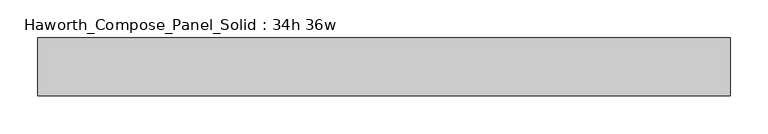
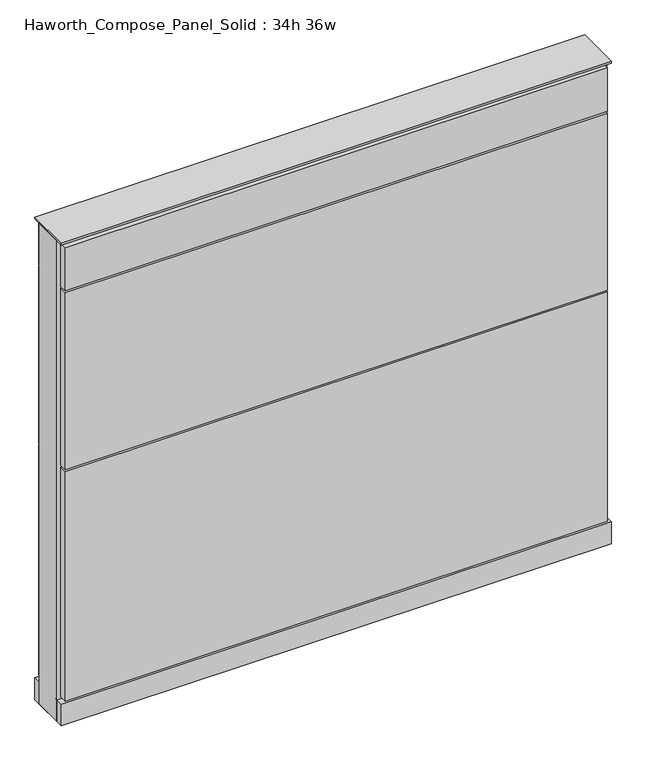
"""IFC4 building model written with IfcOpenShell, lengths in millimetres: furniture geometry, Haworth_Compose_Panel_Solid : 34h 36w."""

from ifc_helpers import new_model, si_unit, point, frame, frame_2d, origin, origin_with_axes, place, context, project, spatial, polyline, circle_curve, trimmed, segment, composite_curve, outline, extrude, source, transform, mapped, element, save


def haworth_compose_panel_solid_34h_36w_e3e4547b(model_context):
    return source(origin(), model_context, "Body", "SweptSolid", [
        extrude(outline(composite_curve([segment(trimmed(circle_curve(frame_2d((-378.5597098, 0.0)), 12.7), [point((-391.2597098, 0.0))], [point((-365.8597098, 0.0))], False, "CARTESIAN"), True, "CONTINUOUS"), segment(trimmed(circle_curve(frame_2d((-378.5597098, 0.0)), 12.7), [point((-365.8597098, 0.0))], [point((-391.2597098, 0.0))], False, "CARTESIAN"), True, "CONTINUOUS")], self_intersect=False)), origin_with_axes(), (0.0, 0.0, 1.0), 12.7),
        extrude(outline(composite_curve([segment(trimmed(circle_curve(frame_2d((383.4402902, 0.0)), 12.7), [point((370.7402902, 0.0))], [point((396.1402902, 0.0))], False, "CARTESIAN"), True, "CONTINUOUS"), segment(trimmed(circle_curve(frame_2d((383.4402902, 0.0)), 12.7), [point((396.1402902, 0.0))], [point((370.7402902, 0.0))], False, "CARTESIAN"), True, "CONTINUOUS")], self_intersect=False)), origin_with_axes(), (0.0, 0.0, 1.0), 12.7),
        extrude(outline(polyline([(453.2902902, 38.1), (453.2902902, 25.4), (-448.4097098, 25.4), (-448.4097098, 38.1), (453.2902902, 38.1)])), frame((0.0, 0.0, 774.7), z_axis=(0.0, 0.0, 1.0), x_axis=(1.0, 0.0, 0.0)), (0.0, 0.0, 1.0), 76.2),
        extrude(outline(polyline([(453.2902902, 38.1), (453.2902902, 25.4), (-448.4097098, 25.4), (-448.4097098, 38.1), (453.2902902, 38.1)])), frame((0.0, 0.0, 460.375), z_axis=(0.0, 0.0, 1.0), x_axis=(1.0, 0.0, 0.0)), (0.0, 0.0, 1.0), 311.15),
        extrude(outline(polyline([(453.2902902, 38.1), (453.2902902, 25.4), (-448.4097098, 25.4), (-448.4097098, 38.1), (453.2902902, 38.1)])), frame((0.0, 0.0, 53.975), z_axis=(0.0, 0.0, 1.0), x_axis=(1.0, 0.0, 0.0)), (0.0, 0.0, 1.0), 403.225),
        extrude(outline(polyline([(453.2902902, -38.1), (-448.4097098, -38.1), (-448.4097098, -25.4), (453.2902902, -25.4), (453.2902902, -38.1)])), frame((0.0, 0.0, 774.7), z_axis=(0.0, 0.0, 1.0), x_axis=(1.0, 0.0, 0.0)), (0.0, 0.0, 1.0), 76.2),
        extrude(outline(polyline([(453.2902902, -38.1), (-448.4097098, -38.1), (-448.4097098, -25.4), (453.2902902, -25.4), (453.2902902, -38.1)])), frame((0.0, 0.0, 460.375), z_axis=(0.0, 0.0, 1.0), x_axis=(1.0, 0.0, 0.0)), (0.0, 0.0, 1.0), 311.15),
        extrude(outline(polyline([(453.2902902, -38.1), (-448.4097098, -38.1), (-448.4097098, -25.4), (453.2902902, -25.4), (453.2902902, -38.1)])), frame((0.0, 0.0, 53.975), z_axis=(0.0, 0.0, 1.0), x_axis=(1.0, 0.0, 0.0)), (0.0, 0.0, 1.0), 403.225),
        extrude(outline(polyline([(459.6402902, 25.4), (459.6402902, -25.4), (-454.7597098, -25.4), (-454.7597098, 25.4), (459.6402902, 25.4)])), frame((0.0, 0.0, 12.7), z_axis=(0.0, 0.0, 1.0), x_axis=(1.0, 0.0, 0.0)), (0.0, 0.0, 1.0), 844.55),
        extrude(outline(polyline([(-454.7597098, -38.1), (-454.7597098, 38.1), (459.6402902, 38.1), (459.6402902, -38.1), (-454.7597098, -38.1)])), frame((0.0, 0.0, 12.7), z_axis=(0.0, 0.0, 1.0), x_axis=(1.0, 0.0, 0.0)), (0.0, 0.0, 1.0), 38.1),
        extrude(outline(polyline([(-454.7597098, -38.1), (-454.7597098, 38.1), (459.6402902, 38.1), (459.6402902, -38.1), (-454.7597098, -38.1)])), frame((0.0, 0.0, 857.25), z_axis=(0.0, 0.0, 1.0), x_axis=(1.0, 0.0, 0.0)), (0.0, 0.0, 1.0), 3.175),
    ])


if __name__ == "__main__":
    model = new_model("IFC4")
    model_context = context("Model", 3, world=origin())
    ifc_project = project(units=[si_unit("LENGTHUNIT", "METRE", prefix="MILLI")], contexts=[model_context])
    site = spatial("IfcSite", under=ifc_project)
    building = spatial("IfcBuilding", under=site)
    placement = place(None, origin())
    haworth_compose_panel_solid_34h_36w_shape = haworth_compose_panel_solid_34h_36w_e3e4547b(model_context)
    element("IfcFurniture", 1, ObjectType="Haworth_Compose_Panel_Solid : 34h 36w", at=placement, inside=building, context=model_context, shape_type="MappedRepresentation", body=[
        mapped(haworth_compose_panel_solid_34h_36w_shape, transform((0.0, 0.0, 0.0), x_axis=(1.0, 0.0, 0.0), y_axis=(0.0, 1.0, 0.0), z_axis=(0.0, 0.0, 1.0))),
    ])
    save(model, "model.ifc")
